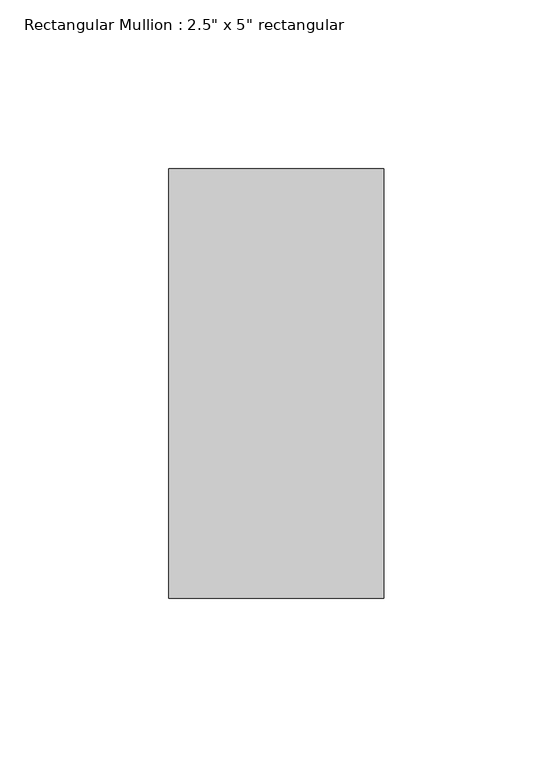
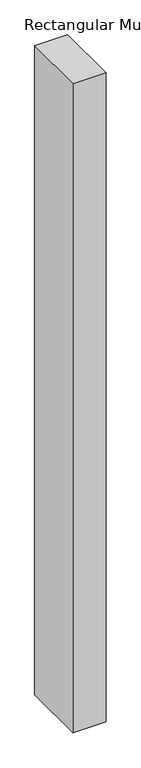
"""IFC4 building model written with IfcOpenShell, lengths in millimetres: member geometry."""

from ifc_helpers import new_model, si_unit, frame, origin, place, context, project, spatial, polyline, outline, extrude, source, transform, mapped, element, save


def member_d247647e(model_context):
    return source(origin(), model_context, "Body", "SweptSolid", [
        extrude(outline(polyline([(0.0, 63.5), (0.0, -63.5), (-63.5, -63.5), (-63.5, 63.5), (0.0, 63.5)])), frame((0.0, 0.0, -1317.625), z_axis=(0.0, 0.0, 1.0), x_axis=(1.0, 0.0, 0.0)), (0.0, 0.0, 1.0), 1317.625),
    ])


if __name__ == "__main__":
    model = new_model("IFC4")
    model_context = context("Model", 3, world=origin())
    ifc_project = project(units=[si_unit("LENGTHUNIT", "METRE", prefix="MILLI")], contexts=[model_context])
    site = spatial("IfcSite", under=ifc_project)
    building = spatial("IfcBuilding", under=site)
    placement = place(None, origin())
    member_shape = member_d247647e(model_context)
    element("IfcMember", 1, ObjectType="Rectangular Mullion : 2.5\" x 5\" rectangular", at=placement, inside=building, context=model_context, shape_type="MappedRepresentation", body=[
        mapped(member_shape, transform((0.0, 0.0, 0.0), x_axis=(1.0, 0.0, 0.0), y_axis=(0.0, 1.0, 0.0), z_axis=(0.0, 0.0, 1.0))),
    ])
    save(model, "model.ifc")
